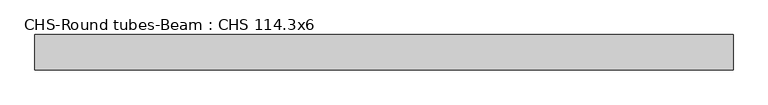
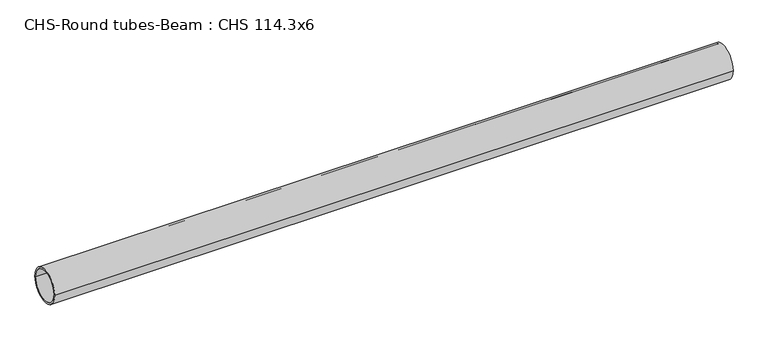
"""IFC4 building model written with IfcOpenShell, lengths in millimetres: beam geometry, CHS-Round tubes-Beam : CHS 114.3x6."""

from ifc_helpers import new_model, si_unit, point, frame, origin, origin_2d, place, context, project, spatial, circle_curve, trimmed, segment, composite_curve, outline, extrude, source, transform, mapped, element, save


def chs_round_tubes_beam_chs_114_3x6_a08fa94b(model_context):
    return source(origin(), model_context, "Body", "SweptSolid", [
        extrude(outline(composite_curve([segment(trimmed(circle_curve(origin_2d(), 57.15), [point((57.15, 0.0))], [point((-57.15, 0.0))], False, "CARTESIAN"), True, "CONTINUOUS"), segment(trimmed(circle_curve(origin_2d(), 57.15), [point((-57.15, 0.0))], [point((57.15, 0.0))], False, "CARTESIAN"), True, "CONTINUOUS")], self_intersect=False), holes=[composite_curve([segment(trimmed(circle_curve(origin_2d(), 51.15), [point((51.15, 0.0))], [point((-51.15, 0.0))], True, "CARTESIAN"), True, "CONTINUOUS"), segment(trimmed(circle_curve(origin_2d(), 51.15), [point((-51.15, 0.0))], [point((51.15, 0.0))], True, "CARTESIAN"), True, "CONTINUOUS")], self_intersect=False)]), frame((-1011.1556068, 0.0, 0.0), z_axis=(1.0, 0.0, 0.0), x_axis=(0.0, 1.0, 0.0)), (0.0, 0.0, 1.0), 2263.8844587),
    ])


if __name__ == "__main__":
    model = new_model("IFC4")
    model_context = context("Model", 3, world=origin())
    ifc_project = project(units=[si_unit("LENGTHUNIT", "METRE", prefix="MILLI")], contexts=[model_context])
    site = spatial("IfcSite", under=ifc_project)
    building = spatial("IfcBuilding", under=site)
    placement = place(None, origin())
    chs_round_tubes_beam_chs_114_3x6_shape = chs_round_tubes_beam_chs_114_3x6_a08fa94b(model_context)
    element("IfcBeam", 1, ObjectType="CHS-Round tubes-Beam : CHS 114.3x6", at=placement, inside=building, context=model_context, shape_type="MappedRepresentation", body=[
        mapped(chs_round_tubes_beam_chs_114_3x6_shape, transform((0.0, 0.0, 0.0), x_axis=(1.0, 0.0, 0.0), y_axis=(0.0, 1.0, 0.0), z_axis=(0.0, 0.0, 1.0))),
    ])
    save(model, "model.ifc")
